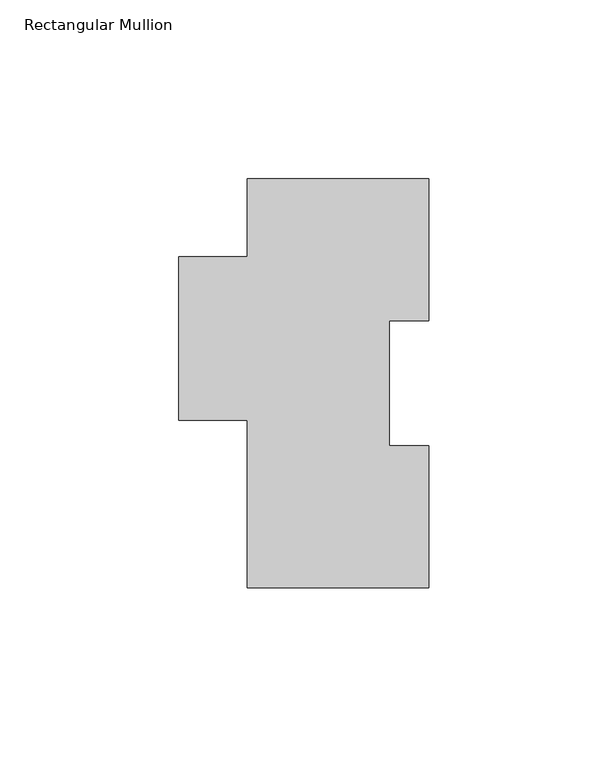
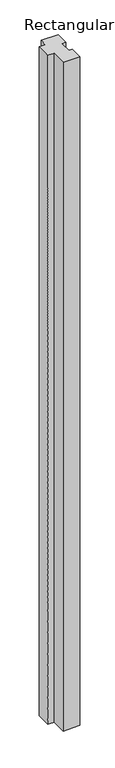
"""IFC4 building model written with IfcOpenShell, lengths in millimetres: member geometry, Rectangular Mullion."""

import ifcopenshell
import ifcopenshell.guid

model = None  # the IFC model being written
_history = None  # IfcOwnerHistory: only IFC2X3 demands one
_inside = {}  # id of a spatial element -> (the spatial element, [elements in it])
_under = {}  # id of a project, library or spatial element -> (it, [spatial elements below it])
_declared = {}  # id of a project -> (the project, [libraries it declares])
_typed = {}  # id of a type object -> (the type object, [elements of that type])
_made_of = {}  # id of a material, layer set ... -> (it, [elements and type objects made of it])


def new_model(schema):
    """Start an empty IFC model of exactly this schema.

    Asked for "IFC4X3", IfcOpenShell would pick the latest addendum, in which some entities
    have other attributes; the version numbers below select the first issue.
    IFC2X3 requires an IfcOwnerHistory on every rooted entity: one is made here for all.
    """
    global model, _history
    if schema == "IFC4X3":
        model = ifcopenshell.file(schema_version=(4, 3, 0, 0))
    else:
        model = ifcopenshell.file(schema=schema)
    _inside.clear()
    _under.clear()
    _declared.clear()
    _typed.clear()
    _made_of.clear()
    _history = None
    if model.schema == "IFC2X3":
        org = make("IfcOrganization", Name="unknown")
        user = make(
            "IfcPersonAndOrganization",
            ThePerson=make("IfcPerson", FamilyName="unknown"),
            TheOrganization=org,
        )
        app = make(
            "IfcApplication",
            ApplicationDeveloper=org,
            Version="unknown",
            ApplicationFullName="unknown",
            ApplicationIdentifier="unknown",
        )
        _history = make(
            "IfcOwnerHistory",
            OwningUser=user,
            OwningApplication=app,
            ChangeAction="ADDED",
            CreationDate=0,
        )
    return model


def make(cls, **values):
    """One entity of the class cls with the attributes given. An attribute that is None is left unset."""
    return model.create_entity(
        cls, **{name: value for name, value in values.items() if value is not None}
    )


def rooted(cls, **values):
    """An entity with a GlobalId (a new one), such as an element, a storey or a relation."""
    return make(cls, GlobalId=ifcopenshell.guid.new(), OwnerHistory=_history, **values)


def si_unit(unit_type, name, prefix=None):
    """IfcSIUnit, for example si_unit("LENGTHUNIT", "METRE", prefix="MILLI")."""
    return make("IfcSIUnit", UnitType=unit_type, Prefix=prefix, Name=name)


def assignment(units):
    """IfcUnitAssignment: the units of a project."""
    return None if units is None else make("IfcUnitAssignment", Units=units)


def point(xyz):
    """IfcCartesianPoint."""
    return None if xyz is None else make("IfcCartesianPoint", Coordinates=xyz)


def direction(xyz):
    """IfcDirection."""
    return None if xyz is None else make("IfcDirection", DirectionRatios=xyz)


def frame(location, z_axis=None, x_axis=None):
    """IfcAxis2Placement3D, a coordinate frame: its origin and axes. An axis left out is left unset."""
    return make(
        "IfcAxis2Placement3D",
        Location=point(location),
        Axis=direction(z_axis),
        RefDirection=direction(x_axis),
    )


def origin():
    """The frame at (0, 0, 0) with its axes left unset."""
    return frame((0.0, 0.0, 0.0))


def place(relative_to, where):
    """IfcLocalPlacement: puts the frame where relative to a parent placement (None: the world)."""
    return make(
        "IfcLocalPlacement", PlacementRelTo=relative_to, RelativePlacement=where
    )


def context(
    kind, dimensions, precision=None, world=None, true_north=None, identifier=None
):
    """IfcGeometricRepresentationContext, for example the 3D "Model" context."""
    return make(
        "IfcGeometricRepresentationContext",
        ContextIdentifier=identifier,
        ContextType=kind,
        CoordinateSpaceDimension=dimensions,
        Precision=precision,
        WorldCoordinateSystem=world,
        TrueNorth=true_north,
    )


def project(units=None, contexts=None):
    """IfcProject with its units and contexts."""
    return rooted(
        "IfcProject",
        Name="project",
        RepresentationContexts=contexts,
        UnitsInContext=assignment(units),
    )


def spatial(cls, under=None, at=None, **own):
    """A site, building, storey or space (cls), placed at a placement, below another one or the project."""
    s = rooted(cls, ObjectPlacement=at, **own)
    if under is not None:
        _under.setdefault(under.id(), (under, []))[1].append(s)
    return s


def polyline(points):
    """IfcPolyline through the points."""
    return make("IfcPolyline", Points=[point(p) for p in points])


def outline(outer, holes=None, kind="AREA"):
    """IfcArbitraryClosedProfileDef: a profile drawn as a closed curve; with holes, ...WithVoids."""
    if holes is None:
        return make("IfcArbitraryClosedProfileDef", ProfileType=kind, OuterCurve=outer)
    return make(
        "IfcArbitraryProfileDefWithVoids",
        ProfileType=kind,
        OuterCurve=outer,
        InnerCurves=holes,
    )


def extrude(swept, where, along, depth):
    """IfcExtrudedAreaSolid: the profile swept, set in the frame where, extruded along a direction by depth."""
    return make(
        "IfcExtrudedAreaSolid",
        SweptArea=swept,
        Position=where,
        ExtrudedDirection=direction(along),
        Depth=depth,
    )


def shape(context_of_items, identifier, shape_type, items):
    """IfcShapeRepresentation: the items that make up one representation, for example the "Body"."""
    return make(
        "IfcShapeRepresentation",
        ContextOfItems=context_of_items,
        RepresentationIdentifier=identifier,
        RepresentationType=shape_type,
        Items=items,
    )


def source(mapping_origin, context_of_items, identifier, shape_type, items):
    """IfcRepresentationMap: a shape defined once, which mapped items show again and again."""
    return make(
        "IfcRepresentationMap",
        MappingOrigin=mapping_origin,
        MappedRepresentation=shape(context_of_items, identifier, shape_type, items),
    )


def transform(
    local_origin,
    x_axis=None,
    y_axis=None,
    z_axis=None,
    scale=None,
    scale2=None,
    scale3=None,
    uniform=True,
):
    """IfcCartesianTransformationOperator3D, or its non-uniform kind. x_axis, y_axis, z_axis: its Axis1, 2, 3."""
    if uniform:
        return make(
            "IfcCartesianTransformationOperator3D",
            Axis1=direction(x_axis),
            Axis2=direction(y_axis),
            LocalOrigin=point(local_origin),
            Scale=scale,
            Axis3=direction(z_axis),
        )
    return make(
        "IfcCartesianTransformationOperator3DnonUniform",
        Axis1=direction(x_axis),
        Axis2=direction(y_axis),
        LocalOrigin=point(local_origin),
        Scale=scale,
        Axis3=direction(z_axis),
        Scale2=scale2,
        Scale3=scale3,
    )


def mapped(mapping_source, mapping_target):
    """IfcMappedItem: shows the shape of a source again, moved by a transform."""
    return make(
        "IfcMappedItem", MappingSource=mapping_source, MappingTarget=mapping_target
    )


def made_of(thing, what):
    """Note that an element or type object is made of a material, layer set ...; save() writes the relation."""
    if what is not None:
        _made_of.setdefault(what.id(), (what, []))[1].append(thing)
    return thing


def element(
    cls,
    number,
    at=None,
    inside=None,
    cuts=None,
    type_object=None,
    material=None,
    context=None,
    identifier="Body",
    shape_type=None,
    held_by="IfcProductDefinitionShape",
    body=None,
    shapes=None,
    **own,
):
    """One element of the class cls, such as IfcWall. Its Tag is "e" and its number.

    at: its placement. inside: the storey or other place that contains it. cuts: it is an
    opening in that element (IfcRelVoidsElement). A single representation is given by context,
    identifier, shape_type and body (its items); several are given by shapes. held_by: the class
    of the entity that holds the representations. save() writes the other relations.
    """
    e = rooted(cls, Tag="e%d" % number, ObjectPlacement=at, **own)
    if body is not None:
        shapes = [shape(context, identifier, shape_type, body)]
    if shapes is not None:
        e.Representation = make(held_by, Representations=shapes)
    if inside is not None:
        _inside.setdefault(inside.id(), (inside, []))[1].append(e)
    if cuts is not None:
        rooted(
            "IfcRelVoidsElement", RelatingBuildingElement=cuts, RelatedOpeningElement=e
        )
    if type_object is not None:
        _typed.setdefault(type_object.id(), (type_object, []))[1].append(e)
    return made_of(e, material)


def aggregate(whole, parts):
    """IfcRelAggregates: a whole, such as a stair, and the parts it consists of."""
    return rooted("IfcRelAggregates", RelatingObject=whole, RelatedObjects=parts)


def save(model, path):
    """Write the relations noted so far, then the file.

    IfcRelAggregates (storeys below a building ...), IfcRelContainedInSpatialStructure (elements
    in a storey), IfcRelDefinesByType, IfcRelAssociatesMaterial and IfcRelDeclares: one each for
    every whole, place, type object, material and project.
    """
    for whole, parts in _under.values():
        aggregate(whole, parts)
    for where, things in _inside.values():
        rooted(
            "IfcRelContainedInSpatialStructure",
            RelatedElements=things,
            RelatingStructure=where,
        )
    for kind, things in _typed.values():
        rooted("IfcRelDefinesByType", RelatedObjects=things, RelatingType=kind)
    for what, things in _made_of.values():
        rooted("IfcRelAssociatesMaterial", RelatedObjects=things, RelatingMaterial=what)
    for by, libraries in _declared.values():
        rooted("IfcRelDeclares", RelatingContext=by, RelatedDefinitions=libraries)
    model.write(path)


def rectangular_mullion_03fec77c(model_context):
    return source(origin(), model_context, "Body", "SweptSolid", [
        extrude(outline(polyline([(25.4, 114.290475), (25.4, 74.615675), (14.2875, 74.615675), (14.2875, 39.665275), (25.4, 39.665275), (25.4, -0.009525), (-25.4, -0.009525), (-25.4, 46.821725), (-44.45, 46.821725), (-44.45, 92.471875), (-25.4, 92.471875), (-25.4, 114.290475), (25.4, 114.290475)])), frame((0.0, 0.0, -2133.6), z_axis=(0.0, 0.0, 1.0), x_axis=(1.0, 0.0, 0.0)), (0.0, 0.0, 1.0), 2133.6),
    ])


if __name__ == "__main__":
    model = new_model("IFC4")
    model_context = context("Model", 3, world=origin())
    ifc_project = project(units=[si_unit("LENGTHUNIT", "METRE", prefix="MILLI")], contexts=[model_context])
    site = spatial("IfcSite", under=ifc_project)
    building = spatial("IfcBuilding", under=site)
    placement = place(None, origin())
    rectangular_mullion_shape = rectangular_mullion_03fec77c(model_context)
    element("IfcMember", 1, ObjectType="Rectangular Mullion", at=placement, inside=building, context=model_context, shape_type="MappedRepresentation", body=[
        mapped(rectangular_mullion_shape, transform((0.0, 0.0, 0.0), x_axis=(1.0, 0.0, 0.0), y_axis=(0.0, 1.0, 0.0), z_axis=(0.0, 0.0, 1.0))),
    ])
    save(model, "model.ifc")
